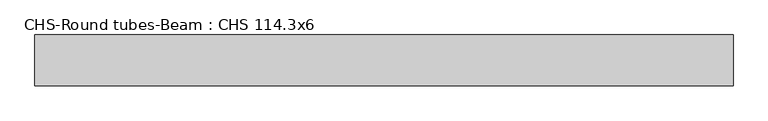
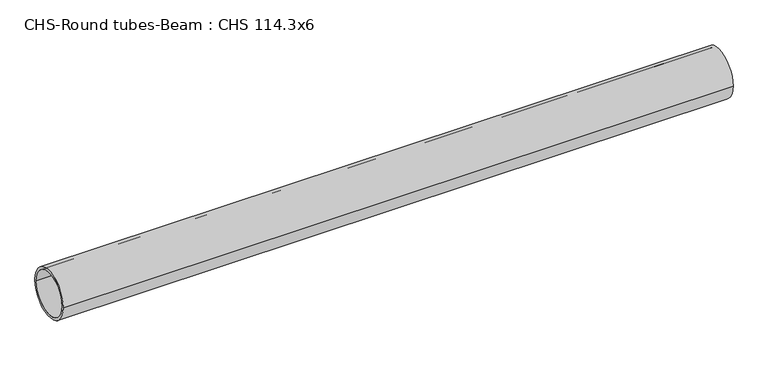
"""IFC4 building model written with IfcOpenShell, lengths in millimetres: beam geometry, CHS-Round tubes-Beam : CHS 114.3x6."""

from ifc_helpers import new_model, si_unit, point, frame, origin, origin_2d, place, context, project, spatial, circle_curve, trimmed, segment, composite_curve, outline, extrude, source, transform, mapped, element, save


def chs_round_tubes_beam_chs_114_3x6_cb57b920(model_context):
    return source(origin(), model_context, "Body", "SweptSolid", [
        extrude(outline(composite_curve([segment(trimmed(circle_curve(origin_2d(), 57.15), [point((57.15, 0.0))], [point((-57.15, 0.0))], False, "CARTESIAN"), True, "CONTINUOUS"), segment(trimmed(circle_curve(origin_2d(), 57.15), [point((-57.15, 0.0))], [point((57.15, 0.0))], False, "CARTESIAN"), True, "CONTINUOUS")], self_intersect=False), holes=[composite_curve([segment(trimmed(circle_curve(origin_2d(), 51.15), [point((51.15, 0.0))], [point((-51.15, 0.0))], True, "CARTESIAN"), True, "CONTINUOUS"), segment(trimmed(circle_curve(origin_2d(), 51.15), [point((-51.15, 0.0))], [point((51.15, 0.0))], True, "CARTESIAN"), True, "CONTINUOUS")], self_intersect=False)]), frame((-775.848538, 0.0, 0.0), z_axis=(1.0, 0.0, 0.0), x_axis=(0.0, 1.0, 0.0)), (0.0, 0.0, 1.0), 1562.6586399),
    ])


if __name__ == "__main__":
    model = new_model("IFC4")
    model_context = context("Model", 3, world=origin())
    ifc_project = project(units=[si_unit("LENGTHUNIT", "METRE", prefix="MILLI")], contexts=[model_context])
    site = spatial("IfcSite", under=ifc_project)
    building = spatial("IfcBuilding", under=site)
    placement = place(None, origin())
    chs_round_tubes_beam_chs_114_3x6_shape = chs_round_tubes_beam_chs_114_3x6_cb57b920(model_context)
    element("IfcBeam", 1, ObjectType="CHS-Round tubes-Beam : CHS 114.3x6", at=placement, inside=building, context=model_context, shape_type="MappedRepresentation", body=[
        mapped(chs_round_tubes_beam_chs_114_3x6_shape, transform((0.0, 0.0, 0.0), x_axis=(1.0, 0.0, 0.0), y_axis=(0.0, 1.0, 0.0), z_axis=(0.0, 0.0, 1.0))),
    ])
    save(model, "model.ifc")
